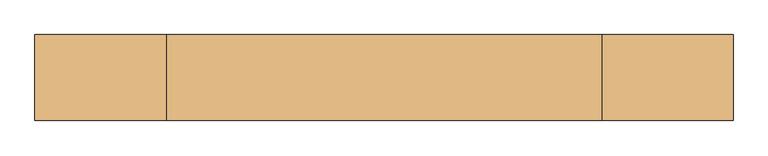
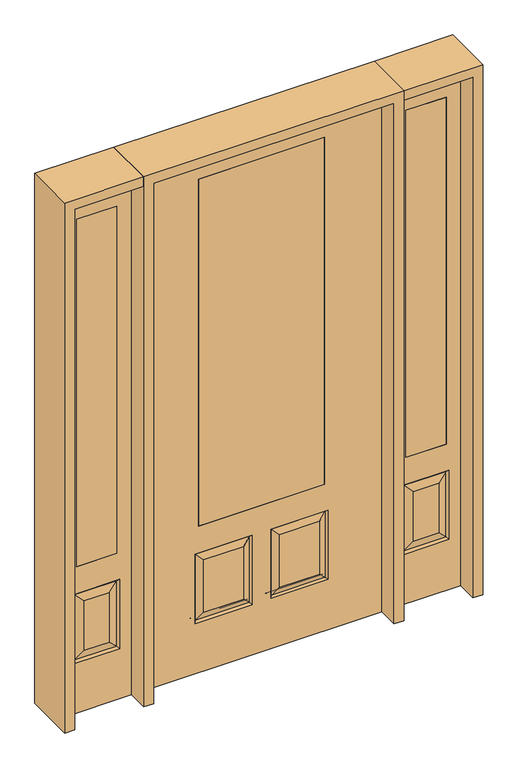
"""IFC4 building model written with IfcOpenShell, lengths in millimetres: door geometry."""

from ifc_helpers import new_model, si_unit, frame, origin, place, context, project, spatial, polyline, outline, extrude, faceted_brep, source, transform, mapped, element, save


def door_2b77053b(model_context):
    return source(origin(), model_context, "Body", "SolidModel", [
        extrude(outline(polyline([(641.35, -20.6375), (641.35, 20.6375), (819.15, 20.6375), (819.15, -20.6375), (641.35, -20.6375)])), frame((0.0, 0.0, 685.8), z_axis=(0.0, 0.0, 1.0), x_axis=(1.0, 0.0, 0.0)), (0.0, 0.0, 1.0), 1625.6),
        faceted_brep([(882.65, -20.6375, 0.0), (882.65, -20.6375, 2438.4), (577.85, -20.6375, 2438.4), (577.85, -20.6375, 0.0), (628.65, -20.6375, 234.95), (628.65, -20.6375, 558.8), (831.85, -20.6375, 558.8), (831.85, -20.6375, 234.95), (641.35, -20.6375, 685.8), (641.35, -20.6375, 2311.4), (819.15, -20.6375, 2311.4), (819.15, -20.6375, 685.8), (785.8125, -20.6375, 280.9875), (785.8125, -20.6375, 512.7625), (674.6875, -20.6375, 512.7625), (674.6875, -20.6375, 280.9875), (577.85, 20.6375, 0.0), (882.65, 20.6375, 0.0), (577.85, 20.6375, 2438.4), (882.65, 20.6375, 2438.4), (637.6302561, -11.6572439, 243.9302561), (822.8697439, -11.6572439, 243.9302561), (822.8697439, -11.6572439, 549.8197439), (637.6302561, -11.6572439, 549.8197439), (831.85, 20.6375, 234.95), (831.85, 20.6375, 558.8), (628.65, 20.6375, 558.8), (628.65, 20.6375, 234.95), (819.15, 20.6375, 685.8), (819.15, 20.6375, 2311.4), (641.35, 20.6375, 2311.4), (641.35, 20.6375, 685.8), (674.6875, 20.6375, 280.9875), (674.6875, 20.6375, 512.7625), (785.8125, 20.6375, 512.7625), (785.8125, 20.6375, 280.9875), (637.6302561, 11.6572439, 243.9302561), (822.8697439, 11.6572439, 243.9302561), (637.6302561, 11.6572439, 549.8197439), (822.8697439, 11.6572439, 549.8197439)], [[[0, 1, 2, 3], [4, 5, 6, 7], [8, 9, 10, 11]], [[12, 13, 14, 15]], [[3, 16, 17, 0]], [[2, 18, 16, 3]], [[0, 17, 19, 1]], [[20, 4, 7, 21]], [[7, 6, 22, 21]], [[6, 5, 23, 22]], [[20, 23, 5, 4]], [[21, 12, 15, 20]], [[15, 14, 23, 20]], [[22, 23, 14, 13]], [[21, 22, 13, 12]], [[17, 16, 18, 19], [24, 25, 26, 27], [28, 29, 30, 31]], [[32, 33, 34, 35]], [[24, 27, 36, 37]], [[27, 26, 38, 36]], [[39, 38, 26, 25]], [[37, 39, 25, 24]], [[36, 32, 35, 37]], [[35, 34, 39, 37]], [[34, 33, 38, 39]], [[36, 38, 33, 32]], [[1, 19, 18, 2]], [[8, 11, 28, 31]], [[11, 10, 29, 28]], [[31, 30, 9, 8]], [[30, 29, 10, 9]]]),
        extrude(outline(polyline([(-641.35, -20.6375), (-819.15, -20.6375), (-819.15, 20.6375), (-641.35, 20.6375), (-641.35, -20.6375)])), frame((0.0, 0.0, 685.8), z_axis=(0.0, 0.0, 1.0), x_axis=(1.0, 0.0, 0.0)), (0.0, 0.0, 1.0), 1625.6),
        faceted_brep([(-882.65, -20.6375, 0.0), (-577.85, -20.6375, 0.0), (-577.85, -20.6375, 2438.4), (-882.65, -20.6375, 2438.4), (-628.65, -20.6375, 234.95), (-831.85, -20.6375, 234.95), (-831.85, -20.6375, 558.8), (-628.65, -20.6375, 558.8), (-641.35, -20.6375, 685.8), (-819.15, -20.6375, 685.8), (-819.15, -20.6375, 2311.4), (-641.35, -20.6375, 2311.4), (-785.8125, -20.6375, 280.9875), (-674.6875, -20.6375, 280.9875), (-674.6875, -20.6375, 512.7625), (-785.8125, -20.6375, 512.7625), (-882.65, 20.6375, 0.0), (-577.85, 20.6375, 0.0), (-577.85, 20.6375, 2438.4), (-882.65, 20.6375, 2438.4), (-637.6302561, -11.6572439, 243.9302561), (-822.8697439, -11.6572439, 243.9302561), (-822.8697439, -11.6572439, 549.8197439), (-637.6302561, -11.6572439, 549.8197439), (-831.85, 20.6375, 234.95), (-628.65, 20.6375, 234.95), (-628.65, 20.6375, 558.8), (-831.85, 20.6375, 558.8), (-819.15, 20.6375, 685.8), (-641.35, 20.6375, 685.8), (-641.35, 20.6375, 2311.4), (-819.15, 20.6375, 2311.4), (-674.6875, 20.6375, 280.9875), (-785.8125, 20.6375, 280.9875), (-785.8125, 20.6375, 512.7625), (-674.6875, 20.6375, 512.7625), (-822.8697439, 11.6572439, 243.9302561), (-637.6302561, 11.6572439, 243.9302561), (-637.6302561, 11.6572439, 549.8197439), (-822.8697439, 11.6572439, 549.8197439)], [[[0, 1, 2, 3], [4, 5, 6, 7], [8, 9, 10, 11]], [[12, 13, 14, 15]], [[1, 0, 16, 17]], [[2, 1, 17, 18]], [[0, 3, 19, 16]], [[20, 21, 5, 4]], [[5, 21, 22, 6]], [[6, 22, 23, 7]], [[20, 4, 7, 23]], [[21, 20, 13, 12]], [[13, 20, 23, 14]], [[22, 15, 14, 23]], [[21, 12, 15, 22]], [[16, 19, 18, 17], [24, 25, 26, 27], [28, 29, 30, 31]], [[32, 33, 34, 35]], [[24, 36, 37, 25]], [[25, 37, 38, 26]], [[39, 27, 26, 38]], [[36, 24, 27, 39]], [[37, 36, 33, 32]], [[33, 36, 39, 34]], [[34, 39, 38, 35]], [[37, 32, 35, 38]], [[3, 2, 18, 19]], [[8, 29, 28, 9]], [[9, 28, 31, 10]], [[29, 8, 11, 30]], [[30, 11, 10, 31]]]),
        faceted_brep([(279.4, 20.6375, 685.8), (279.4, -20.6375, 685.8), (279.4, -20.6375, 2311.4), (279.4, 20.6375, 2311.4), (-279.4, 20.6375, 685.8), (-279.4, -20.6375, 685.8), (-80.1727627, 20.6375, 273.8477627), (-256.3772373, 20.6375, 273.8477627), (-256.3772373, 20.6375, 520.4102373), (-80.1727627, 20.6375, 520.4102373), (256.3772373, 20.6375, 273.8477627), (80.1727627, 20.6375, 273.8477627), (80.1727627, 20.6375, 520.4102373), (256.3772373, 20.6375, 520.4102373), (-533.4, 20.6375, 2438.4), (533.4, 20.6375, 2438.4), (533.4, 20.6375, 0.0), (-533.4, 20.6375, 0.0), (-279.4, 20.6375, 2311.4), (-295.275, 20.6375, 234.95), (-41.275, 20.6375, 234.95), (-41.275, 20.6375, 559.308), (-295.275, 20.6375, 559.308), (41.275, 20.6375, 234.95), (295.275, 20.6375, 234.95), (295.275, 20.6375, 559.308), (41.275, 20.6375, 559.308), (-279.4, -20.6375, 2311.4), (80.1727627, -20.6375, 273.8477627), (256.3772373, -20.6375, 273.8477627), (256.3772373, -20.6375, 520.4102373), (80.1727627, -20.6375, 520.4102373), (-256.3772373, -20.6375, 273.8477627), (-80.1727627, -20.6375, 273.8477627), (-80.1727627, -20.6375, 520.4102373), (-256.3772373, -20.6375, 520.4102373), (533.4, -20.6375, 2438.4), (-533.4, -20.6375, 2438.4), (-533.4, -20.6375, 0.0), (533.4, -20.6375, 0.0), (295.275, -20.6375, 234.95), (41.275, -20.6375, 234.95), (41.275, -20.6375, 559.308), (295.275, -20.6375, 559.308), (-41.275, -20.6375, 234.95), (-295.275, -20.6375, 234.95), (-295.275, -20.6375, 559.308), (-41.275, -20.6375, 559.308), (-287.8714647, 11.4399763, 242.3535353), (-48.6785353, 11.4399763, 242.3535353), (-48.6785353, 11.4399763, 551.9044647), (-287.8714647, 11.4399763, 551.9044647), (48.6785353, 11.4399763, 242.3535353), (287.8714647, 11.4399763, 242.3535353), (287.8714647, 11.4399763, 551.9044647), (48.6785353, 11.4399763, 551.9044647), (287.8714647, -11.4399763, 242.3535353), (48.6785353, -11.4399763, 242.3535353), (48.6785353, -11.4399763, 551.9044647), (287.8714647, -11.4399763, 551.9044647), (-48.6785353, -11.4399763, 242.3535353), (-287.8714647, -11.4399763, 242.3535353), (-287.8714647, -11.4399763, 551.9044647), (-48.6785353, -11.4399763, 551.9044647)], [[[0, 1, 2, 3]], [[1, 0, 4, 5]], [[6, 7, 8, 9]], [[10, 11, 12, 13]], [[14, 15, 16, 17], [4, 0, 3, 18], [19, 20, 21, 22], [23, 24, 25, 26]], [[5, 4, 18, 27]], [[28, 29, 30, 31]], [[32, 33, 34, 35]], [[36, 37, 38, 39], [1, 5, 27, 2], [40, 41, 42, 43], [44, 45, 46, 47]], [[39, 38, 17, 16]], [[37, 14, 17, 38]], [[15, 36, 39, 16]], [[19, 48, 49, 20]], [[20, 49, 50, 21]], [[51, 22, 21, 50]], [[48, 19, 22, 51]], [[49, 48, 7, 6]], [[7, 48, 51, 8]], [[8, 51, 50, 9]], [[49, 6, 9, 50]], [[52, 53, 24, 23]], [[24, 53, 54, 25]], [[25, 54, 55, 26]], [[52, 23, 26, 55]], [[53, 52, 11, 10]], [[11, 52, 55, 12]], [[54, 13, 12, 55]], [[53, 10, 13, 54]], [[40, 56, 57, 41]], [[41, 57, 58, 42]], [[59, 43, 42, 58]], [[56, 40, 43, 59]], [[57, 56, 29, 28]], [[29, 56, 59, 30]], [[30, 59, 58, 31]], [[57, 28, 31, 58]], [[60, 61, 45, 44]], [[45, 61, 62, 46]], [[46, 62, 63, 47]], [[60, 44, 47, 63]], [[61, 60, 33, 32]], [[33, 60, 63, 34]], [[62, 35, 34, 63]], [[61, 32, 35, 62]], [[3, 2, 27, 18]], [[36, 15, 14, 37]]]),
        extrude(outline(polyline([(279.4, -20.6375), (-279.4, -20.6375), (-279.4, 20.6375), (279.4, 20.6375), (279.4, -20.6375)])), frame((0.0, 0.0, 685.8), z_axis=(0.0, 0.0, 1.0), x_axis=(1.0, 0.0, 0.0)), (0.0, 0.0, 1.0), 1625.6),
        extrude(outline(polyline([(2438.4, -577.85), (2482.85, -577.85), (2482.85, -927.1), (0.0, -927.1), (0.0, -882.65), (2438.4, -882.65), (2438.4, -577.85)])), frame((0.0, -114.3, 0.0), z_axis=(0.0, 1.0, 0.0), x_axis=(0.0, 0.0, 1.0)), (0.0, 0.0, 1.0), 228.6),
        extrude(outline(polyline([(2482.85, -577.85), (0.0, -577.85), (0.0, -533.4), (2438.4, -533.4), (2438.4, 533.4), (0.0, 533.4), (0.0, 577.85), (2482.85, 577.85), (2482.85, -577.85)])), frame((0.0, -114.3, 0.0), z_axis=(0.0, 1.0, 0.0), x_axis=(0.0, 0.0, 1.0)), (0.0, 0.0, 1.0), 228.6),
        extrude(outline(polyline([(0.0, 882.65), (0.0, 927.1), (2482.85, 927.1), (2482.85, 577.85), (2438.4, 577.85), (2438.4, 882.65), (0.0, 882.65)])), frame((0.0, -114.3, 0.0), z_axis=(0.0, 1.0, 0.0), x_axis=(0.0, 0.0, 1.0)), (0.0, 0.0, 1.0), 228.6),
    ])


if __name__ == "__main__":
    model = new_model("IFC4")
    model_context = context("Model", 3, world=origin())
    ifc_project = project(units=[si_unit("LENGTHUNIT", "METRE", prefix="MILLI")], contexts=[model_context])
    site = spatial("IfcSite", under=ifc_project)
    building = spatial("IfcBuilding", under=site)
    placement = place(None, origin())
    door_shape = door_2b77053b(model_context)
    element("IfcDoor", 1, at=placement, inside=building, context=model_context, shape_type="MappedRepresentation", body=[
        mapped(door_shape, transform((0.0, 0.0, 0.0), x_axis=(1.0, 0.0, 0.0), y_axis=(0.0, 1.0, 0.0), z_axis=(0.0, 0.0, 1.0))),
    ])
    save(model, "model.ifc")
